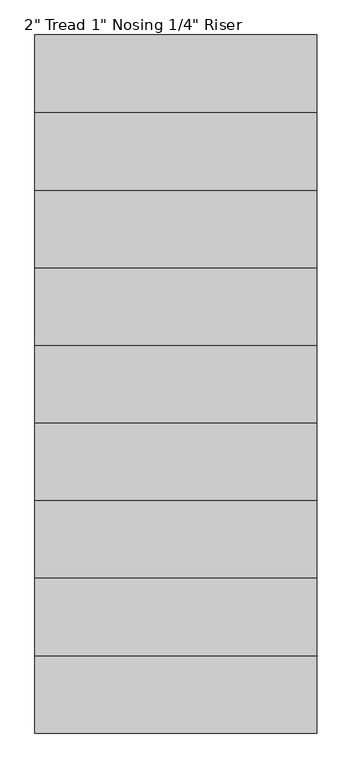
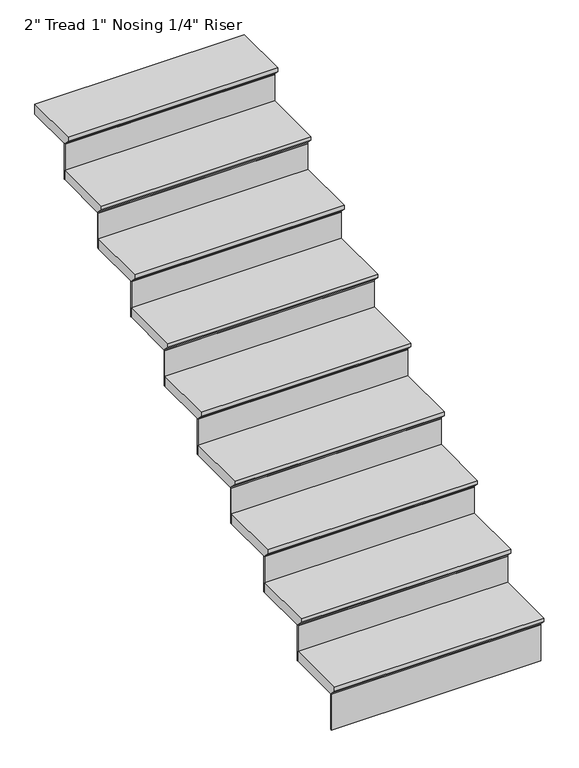
"""IFC4 building model written with IfcOpenShell, lengths in millimetres: stair flight geometry."""

from ifc_helpers import new_model, si_unit, frame, origin, place, context, project, spatial, polyline, outline, extrude, source, transform, mapped, element, save


def stair_flight_d2aba7af(model_context):
    return source(origin(), model_context, "Body", "SweptSolid", [
        extrude(outline(polyline([(11279.9019376, 5126.5666667), (11584.7019376, 5126.5666667), (11584.7019376, 5075.7666667), (11305.3019376, 5075.7666667), (11305.3019376, 5082.1166667), (11279.9019376, 5107.5166667), (11279.9019376, 5126.5666667)])), frame((6134.0878226, 0.0, 0.0), z_axis=(1.0, 0.0, 0.0), x_axis=(0.0, 1.0, 0.0)), (0.0, 0.0, 1.0), 1016.0),
        extrude(outline(polyline([(7150.0878226, 11311.6519376), (7150.0878226, 11305.3019376), (6134.0878226, 11305.3019376), (6134.0878226, 11311.6519376), (7150.0878226, 11311.6519376)])), frame((0.0, 0.0, 4892.675), z_axis=(0.0, 0.0, 1.0), x_axis=(1.0, 0.0, 0.0)), (0.0, 0.0, 1.0), 183.0916667),
        extrude(outline(polyline([(7150.0878226, 11591.0519376), (7150.0878226, 11584.7019376), (6134.0878226, 11584.7019376), (6134.0878226, 11591.0519376), (7150.0878226, 11591.0519376)])), frame((0.0, 0.0, 5075.7666667), z_axis=(0.0, 0.0, 1.0), x_axis=(1.0, 0.0, 0.0)), (0.0, 0.0, 1.0), 183.0916667),
        extrude(outline(polyline([(11559.3019376, 5309.6583333), (11864.1019376, 5309.6583333), (11864.1019376, 5258.8583333), (11584.7019376, 5258.8583333), (11584.7019376, 5265.2083333), (11559.3019376, 5290.6083333), (11559.3019376, 5309.6583333)])), frame((6134.0878226, 0.0, 0.0), z_axis=(1.0, 0.0, 0.0), x_axis=(0.0, 1.0, 0.0)), (0.0, 0.0, 1.0), 1016.0),
        extrude(outline(polyline([(7150.0878226, 11870.4519376), (7150.0878226, 11864.1019376), (6134.0878226, 11864.1019376), (6134.0878226, 11870.4519376), (7150.0878226, 11870.4519376)])), frame((0.0, 0.0, 5258.8583333), z_axis=(0.0, 0.0, 1.0), x_axis=(1.0, 0.0, 0.0)), (0.0, 0.0, 1.0), 183.0916667),
        extrude(outline(polyline([(11838.7019376, 5492.75), (12143.5019376, 5492.75), (12143.5019376, 5441.95), (11864.1019376, 5441.95), (11864.1019376, 5448.3), (11838.7019376, 5473.7), (11838.7019376, 5492.75)])), frame((6134.0878226, 0.0, 0.0), z_axis=(1.0, 0.0, 0.0), x_axis=(0.0, 1.0, 0.0)), (0.0, 0.0, 1.0), 1016.0),
        extrude(outline(polyline([(7150.0878226, 12149.8519376), (7150.0878226, 12143.5019376), (6134.0878226, 12143.5019376), (6134.0878226, 12149.8519376), (7150.0878226, 12149.8519376)])), frame((0.0, 0.0, 5441.95), z_axis=(0.0, 0.0, 1.0), x_axis=(1.0, 0.0, 0.0)), (0.0, 0.0, 1.0), 183.0916667),
        extrude(outline(polyline([(12118.1019376, 5675.8416667), (12422.9019376, 5675.8416667), (12422.9019376, 5625.0416667), (12143.5019376, 5625.0416667), (12143.5019376, 5631.3916667), (12118.1019376, 5656.7916667), (12118.1019376, 5675.8416667)])), frame((6134.0878226, 0.0, 0.0), z_axis=(1.0, 0.0, 0.0), x_axis=(0.0, 1.0, 0.0)), (0.0, 0.0, 1.0), 1016.0),
        extrude(outline(polyline([(7150.0878226, 12429.2519376), (7150.0878226, 12422.9019376), (6134.0878226, 12422.9019376), (6134.0878226, 12429.2519376), (7150.0878226, 12429.2519376)])), frame((0.0, 0.0, 5625.0416667), z_axis=(0.0, 0.0, 1.0), x_axis=(1.0, 0.0, 0.0)), (0.0, 0.0, 1.0), 183.0916667),
        extrude(outline(polyline([(12397.5019376, 5858.9333333), (12702.3019376, 5858.9333333), (12702.3019376, 5808.1333333), (12422.9019376, 5808.1333333), (12422.9019376, 5814.4833333), (12397.5019376, 5839.8833333), (12397.5019376, 5858.9333333)])), frame((6134.0878226, 0.0, 0.0), z_axis=(1.0, 0.0, 0.0), x_axis=(0.0, 1.0, 0.0)), (0.0, 0.0, 1.0), 1016.0),
        extrude(outline(polyline([(7150.0878226, 12708.6519376), (7150.0878226, 12702.3019376), (6134.0878226, 12702.3019376), (6134.0878226, 12708.6519376), (7150.0878226, 12708.6519376)])), frame((0.0, 0.0, 5808.1333333), z_axis=(0.0, 0.0, 1.0), x_axis=(1.0, 0.0, 0.0)), (0.0, 0.0, 1.0), 183.0916667),
        extrude(outline(polyline([(12676.9019376, 6042.025), (12981.7019376, 6042.025), (12981.7019376, 5991.225), (12702.3019376, 5991.225), (12702.3019376, 5997.575), (12676.9019376, 6022.975), (12676.9019376, 6042.025)])), frame((6134.0878226, 0.0, 0.0), z_axis=(1.0, 0.0, 0.0), x_axis=(0.0, 1.0, 0.0)), (0.0, 0.0, 1.0), 1016.0),
        extrude(outline(polyline([(7150.0878226, 12988.0519376), (7150.0878226, 12981.7019376), (6134.0878226, 12981.7019376), (6134.0878226, 12988.0519376), (7150.0878226, 12988.0519376)])), frame((0.0, 0.0, 5991.225), z_axis=(0.0, 0.0, 1.0), x_axis=(1.0, 0.0, 0.0)), (0.0, 0.0, 1.0), 183.0916667),
        extrude(outline(polyline([(12956.3019376, 6225.1166667), (13261.1019376, 6225.1166667), (13261.1019376, 6174.3166667), (12981.7019376, 6174.3166667), (12981.7019376, 6180.6666667), (12956.3019376, 6206.0666667), (12956.3019376, 6225.1166667)])), frame((6134.0878226, 0.0, 0.0), z_axis=(1.0, 0.0, 0.0), x_axis=(0.0, 1.0, 0.0)), (0.0, 0.0, 1.0), 1016.0),
        extrude(outline(polyline([(7150.0878226, 13267.4519376), (7150.0878226, 13261.1019376), (6134.0878226, 13261.1019376), (6134.0878226, 13267.4519376), (7150.0878226, 13267.4519376)])), frame((0.0, 0.0, 6174.3166667), z_axis=(0.0, 0.0, 1.0), x_axis=(1.0, 0.0, 0.0)), (0.0, 0.0, 1.0), 183.0916667),
        extrude(outline(polyline([(13235.7019376, 6408.2083333), (13540.5019376, 6408.2083333), (13540.5019376, 6357.4083333), (13261.1019376, 6357.4083333), (13261.1019376, 6363.7583333), (13235.7019376, 6389.1583333), (13235.7019376, 6408.2083333)])), frame((6134.0878226, 0.0, 0.0), z_axis=(1.0, 0.0, 0.0), x_axis=(0.0, 1.0, 0.0)), (0.0, 0.0, 1.0), 1016.0),
        extrude(outline(polyline([(7150.0878226, 13546.8519376), (7150.0878226, 13540.5019376), (6134.0878226, 13540.5019376), (6134.0878226, 13546.8519376), (7150.0878226, 13546.8519376)])), frame((0.0, 0.0, 6357.4083333), z_axis=(0.0, 0.0, 1.0), x_axis=(1.0, 0.0, 0.0)), (0.0, 0.0, 1.0), 183.0916667),
        extrude(outline(polyline([(13515.1019376, 6591.3), (13794.5019376, 6591.3), (13794.5019376, 6540.5), (13540.5019376, 6540.5), (13540.5019376, 6546.85), (13515.1019376, 6572.25), (13515.1019376, 6591.3)])), frame((6134.0878226, 0.0, 0.0), z_axis=(1.0, 0.0, 0.0), x_axis=(0.0, 1.0, 0.0)), (0.0, 0.0, 1.0), 1016.0),
    ])


if __name__ == "__main__":
    model = new_model("IFC4")
    model_context = context("Model", 3, world=origin())
    ifc_project = project(units=[si_unit("LENGTHUNIT", "METRE", prefix="MILLI")], contexts=[model_context])
    site = spatial("IfcSite", under=ifc_project)
    building = spatial("IfcBuilding", under=site)
    placement = place(None, origin())
    stair_flight_shape = stair_flight_d2aba7af(model_context)
    element("IfcStairFlight", 1, ObjectType="2\" Tread 1\" Nosing 1/4\" Riser", at=placement, inside=building, context=model_context, shape_type="MappedRepresentation", body=[
        mapped(stair_flight_shape, transform((0.0, 0.0, 0.0), x_axis=(1.0, 0.0, 0.0), y_axis=(0.0, 1.0, 0.0), z_axis=(0.0, 0.0, 1.0))),
    ])
    save(model, "model.ifc")
